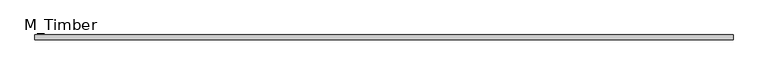
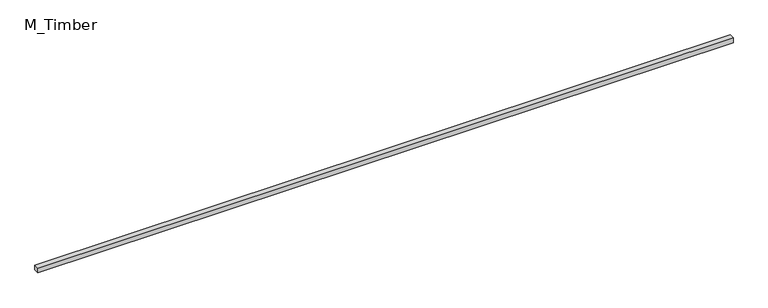
"""IFC4 building model written with IfcOpenShell, lengths in millimetres: beam geometry, M_Timber."""

from ifc_helpers import new_model, si_unit, frame, origin, place, context, project, spatial, polyline, outline, extrude, source, transform, mapped, element, save


def m_timber_b51a9074(model_context):
    return source(origin(), model_context, "Body", "SweptSolid", [
        extrude(outline(polyline([(2776.6688442, 20.0), (2776.6688442, -20.0), (-2776.6688442, -20.0), (-2776.6688442, 20.0), (2776.6688442, 20.0)])), frame((0.0, 0.0, -20.0), z_axis=(0.0, 0.0, 1.0), x_axis=(1.0, 0.0, 0.0)), (0.0, 0.0, 1.0), 40.0),
    ])


if __name__ == "__main__":
    model = new_model("IFC4")
    model_context = context("Model", 3, world=origin())
    ifc_project = project(units=[si_unit("LENGTHUNIT", "METRE", prefix="MILLI")], contexts=[model_context])
    site = spatial("IfcSite", under=ifc_project)
    building = spatial("IfcBuilding", under=site)
    placement = place(None, origin())
    m_timber_shape = m_timber_b51a9074(model_context)
    element("IfcBeam", 1, ObjectType="M_Timber", at=placement, inside=building, context=model_context, shape_type="MappedRepresentation", body=[
        mapped(m_timber_shape, transform((0.0, 0.0, 0.0), x_axis=(1.0, 0.0, 0.0), y_axis=(0.0, 1.0, 0.0), z_axis=(0.0, 0.0, 1.0))),
    ])
    save(model, "model.ifc")
